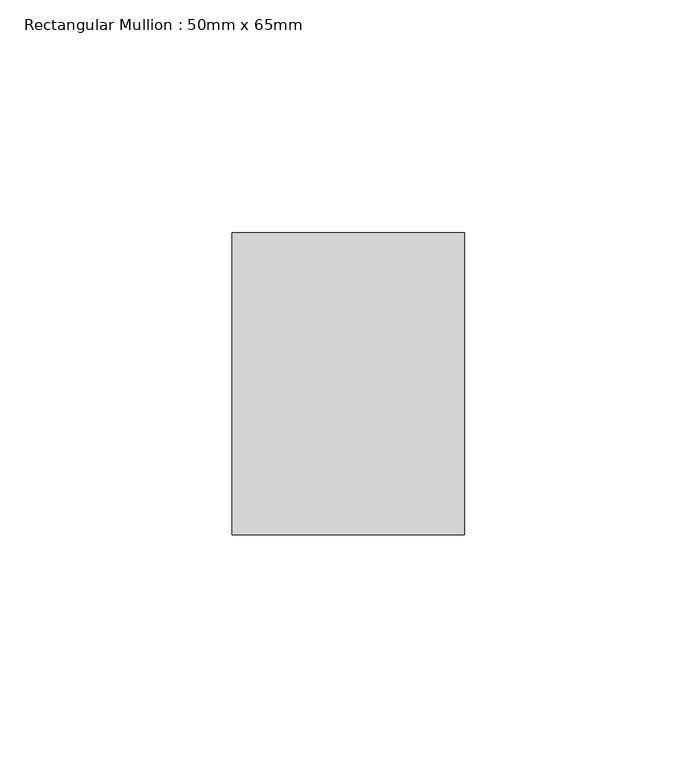
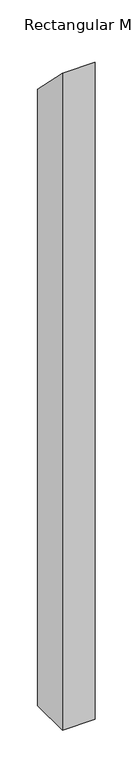
"""IFC4 building model written with IfcOpenShell, lengths in millimetres: member geometry, Rectangular Mullion : 50mm x 65mm."""

import ifcopenshell
import ifcopenshell.guid

model = None  # the IFC model being written
_history = None  # IfcOwnerHistory: only IFC2X3 demands one
_inside = {}  # id of a spatial element -> (the spatial element, [elements in it])
_under = {}  # id of a project, library or spatial element -> (it, [spatial elements below it])
_declared = {}  # id of a project -> (the project, [libraries it declares])
_typed = {}  # id of a type object -> (the type object, [elements of that type])
_made_of = {}  # id of a material, layer set ... -> (it, [elements and type objects made of it])


def new_model(schema):
    """Start an empty IFC model of exactly this schema.

    Asked for "IFC4X3", IfcOpenShell would pick the latest addendum, in which some entities
    have other attributes; the version numbers below select the first issue.
    IFC2X3 requires an IfcOwnerHistory on every rooted entity: one is made here for all.
    """
    global model, _history
    if schema == "IFC4X3":
        model = ifcopenshell.file(schema_version=(4, 3, 0, 0))
    else:
        model = ifcopenshell.file(schema=schema)
    _inside.clear()
    _under.clear()
    _declared.clear()
    _typed.clear()
    _made_of.clear()
    _history = None
    if model.schema == "IFC2X3":
        org = make("IfcOrganization", Name="unknown")
        user = make(
            "IfcPersonAndOrganization",
            ThePerson=make("IfcPerson", FamilyName="unknown"),
            TheOrganization=org,
        )
        app = make(
            "IfcApplication",
            ApplicationDeveloper=org,
            Version="unknown",
            ApplicationFullName="unknown",
            ApplicationIdentifier="unknown",
        )
        _history = make(
            "IfcOwnerHistory",
            OwningUser=user,
            OwningApplication=app,
            ChangeAction="ADDED",
            CreationDate=0,
        )
    return model


def make(cls, **values):
    """One entity of the class cls with the attributes given. An attribute that is None is left unset."""
    return model.create_entity(
        cls, **{name: value for name, value in values.items() if value is not None}
    )


def rooted(cls, **values):
    """An entity with a GlobalId (a new one), such as an element, a storey or a relation."""
    return make(cls, GlobalId=ifcopenshell.guid.new(), OwnerHistory=_history, **values)


def si_unit(unit_type, name, prefix=None):
    """IfcSIUnit, for example si_unit("LENGTHUNIT", "METRE", prefix="MILLI")."""
    return make("IfcSIUnit", UnitType=unit_type, Prefix=prefix, Name=name)


def assignment(units):
    """IfcUnitAssignment: the units of a project."""
    return None if units is None else make("IfcUnitAssignment", Units=units)


def point(xyz):
    """IfcCartesianPoint."""
    return None if xyz is None else make("IfcCartesianPoint", Coordinates=xyz)


def direction(xyz):
    """IfcDirection."""
    return None if xyz is None else make("IfcDirection", DirectionRatios=xyz)


def frame(location, z_axis=None, x_axis=None):
    """IfcAxis2Placement3D, a coordinate frame: its origin and axes. An axis left out is left unset."""
    return make(
        "IfcAxis2Placement3D",
        Location=point(location),
        Axis=direction(z_axis),
        RefDirection=direction(x_axis),
    )


def origin():
    """The frame at (0, 0, 0) with its axes left unset."""
    return frame((0.0, 0.0, 0.0))


def place(relative_to, where):
    """IfcLocalPlacement: puts the frame where relative to a parent placement (None: the world)."""
    return make(
        "IfcLocalPlacement", PlacementRelTo=relative_to, RelativePlacement=where
    )


def context(
    kind, dimensions, precision=None, world=None, true_north=None, identifier=None
):
    """IfcGeometricRepresentationContext, for example the 3D "Model" context."""
    return make(
        "IfcGeometricRepresentationContext",
        ContextIdentifier=identifier,
        ContextType=kind,
        CoordinateSpaceDimension=dimensions,
        Precision=precision,
        WorldCoordinateSystem=world,
        TrueNorth=true_north,
    )


def project(units=None, contexts=None):
    """IfcProject with its units and contexts."""
    return rooted(
        "IfcProject",
        Name="project",
        RepresentationContexts=contexts,
        UnitsInContext=assignment(units),
    )


def spatial(cls, under=None, at=None, **own):
    """A site, building, storey or space (cls), placed at a placement, below another one or the project."""
    s = rooted(cls, ObjectPlacement=at, **own)
    if under is not None:
        _under.setdefault(under.id(), (under, []))[1].append(s)
    return s


def polyline(points):
    """IfcPolyline through the points."""
    return make("IfcPolyline", Points=[point(p) for p in points])


def outline(outer, holes=None, kind="AREA"):
    """IfcArbitraryClosedProfileDef: a profile drawn as a closed curve; with holes, ...WithVoids."""
    if holes is None:
        return make("IfcArbitraryClosedProfileDef", ProfileType=kind, OuterCurve=outer)
    return make(
        "IfcArbitraryProfileDefWithVoids",
        ProfileType=kind,
        OuterCurve=outer,
        InnerCurves=holes,
    )


def extrude(swept, where, along, depth):
    """IfcExtrudedAreaSolid: the profile swept, set in the frame where, extruded along a direction by depth."""
    return make(
        "IfcExtrudedAreaSolid",
        SweptArea=swept,
        Position=where,
        ExtrudedDirection=direction(along),
        Depth=depth,
    )


def shape(context_of_items, identifier, shape_type, items):
    """IfcShapeRepresentation: the items that make up one representation, for example the "Body"."""
    return make(
        "IfcShapeRepresentation",
        ContextOfItems=context_of_items,
        RepresentationIdentifier=identifier,
        RepresentationType=shape_type,
        Items=items,
    )


def source(mapping_origin, context_of_items, identifier, shape_type, items):
    """IfcRepresentationMap: a shape defined once, which mapped items show again and again."""
    return make(
        "IfcRepresentationMap",
        MappingOrigin=mapping_origin,
        MappedRepresentation=shape(context_of_items, identifier, shape_type, items),
    )


def transform(
    local_origin,
    x_axis=None,
    y_axis=None,
    z_axis=None,
    scale=None,
    scale2=None,
    scale3=None,
    uniform=True,
):
    """IfcCartesianTransformationOperator3D, or its non-uniform kind. x_axis, y_axis, z_axis: its Axis1, 2, 3."""
    if uniform:
        return make(
            "IfcCartesianTransformationOperator3D",
            Axis1=direction(x_axis),
            Axis2=direction(y_axis),
            LocalOrigin=point(local_origin),
            Scale=scale,
            Axis3=direction(z_axis),
        )
    return make(
        "IfcCartesianTransformationOperator3DnonUniform",
        Axis1=direction(x_axis),
        Axis2=direction(y_axis),
        LocalOrigin=point(local_origin),
        Scale=scale,
        Axis3=direction(z_axis),
        Scale2=scale2,
        Scale3=scale3,
    )


def mapped(mapping_source, mapping_target):
    """IfcMappedItem: shows the shape of a source again, moved by a transform."""
    return make(
        "IfcMappedItem", MappingSource=mapping_source, MappingTarget=mapping_target
    )


def made_of(thing, what):
    """Note that an element or type object is made of a material, layer set ...; save() writes the relation."""
    if what is not None:
        _made_of.setdefault(what.id(), (what, []))[1].append(thing)
    return thing


def element(
    cls,
    number,
    at=None,
    inside=None,
    cuts=None,
    type_object=None,
    material=None,
    context=None,
    identifier="Body",
    shape_type=None,
    held_by="IfcProductDefinitionShape",
    body=None,
    shapes=None,
    **own,
):
    """One element of the class cls, such as IfcWall. Its Tag is "e" and its number.

    at: its placement. inside: the storey or other place that contains it. cuts: it is an
    opening in that element (IfcRelVoidsElement). A single representation is given by context,
    identifier, shape_type and body (its items); several are given by shapes. held_by: the class
    of the entity that holds the representations. save() writes the other relations.
    """
    e = rooted(cls, Tag="e%d" % number, ObjectPlacement=at, **own)
    if body is not None:
        shapes = [shape(context, identifier, shape_type, body)]
    if shapes is not None:
        e.Representation = make(held_by, Representations=shapes)
    if inside is not None:
        _inside.setdefault(inside.id(), (inside, []))[1].append(e)
    if cuts is not None:
        rooted(
            "IfcRelVoidsElement", RelatingBuildingElement=cuts, RelatedOpeningElement=e
        )
    if type_object is not None:
        _typed.setdefault(type_object.id(), (type_object, []))[1].append(e)
    return made_of(e, material)


def aggregate(whole, parts):
    """IfcRelAggregates: a whole, such as a stair, and the parts it consists of."""
    return rooted("IfcRelAggregates", RelatingObject=whole, RelatedObjects=parts)


def save(model, path):
    """Write the relations noted so far, then the file.

    IfcRelAggregates (storeys below a building ...), IfcRelContainedInSpatialStructure (elements
    in a storey), IfcRelDefinesByType, IfcRelAssociatesMaterial and IfcRelDeclares: one each for
    every whole, place, type object, material and project.
    """
    for whole, parts in _under.values():
        aggregate(whole, parts)
    for where, things in _inside.values():
        rooted(
            "IfcRelContainedInSpatialStructure",
            RelatedElements=things,
            RelatingStructure=where,
        )
    for kind, things in _typed.values():
        rooted("IfcRelDefinesByType", RelatedObjects=things, RelatingType=kind)
    for what, things in _made_of.values():
        rooted("IfcRelAssociatesMaterial", RelatedObjects=things, RelatingMaterial=what)
    for by, libraries in _declared.values():
        rooted("IfcRelDeclares", RelatingContext=by, RelatedDefinitions=libraries)
    model.write(path)


def rectangular_mullion_50mm_x_65mm_db6c44ce(model_context):
    return source(origin(), model_context, "Body", "SweptSolid", [
        extrude(outline(polyline([(-32.5, 32.5), (32.5, -32.5), (32.5, -1025.0), (-32.5, -1025.0), (-32.5, 32.5)])), frame((-50.0, 0.0, 0.0), z_axis=(1.0, 0.0, 0.0), x_axis=(0.0, 1.0, 0.0)), (0.0, 0.0, 1.0), 50.0),
    ])


if __name__ == "__main__":
    model = new_model("IFC4")
    model_context = context("Model", 3, world=origin())
    ifc_project = project(units=[si_unit("LENGTHUNIT", "METRE", prefix="MILLI")], contexts=[model_context])
    site = spatial("IfcSite", under=ifc_project)
    building = spatial("IfcBuilding", under=site)
    placement = place(None, origin())
    rectangular_mullion_50mm_x_65mm_shape = rectangular_mullion_50mm_x_65mm_db6c44ce(model_context)
    element("IfcMember", 1, ObjectType="Rectangular Mullion : 50mm x 65mm", at=placement, inside=building, context=model_context, shape_type="MappedRepresentation", body=[
        mapped(rectangular_mullion_50mm_x_65mm_shape, transform((0.0, 0.0, 0.0), x_axis=(1.0, 0.0, 0.0), y_axis=(0.0, 1.0, 0.0), z_axis=(0.0, 0.0, 1.0))),
    ])
    save(model, "model.ifc")
